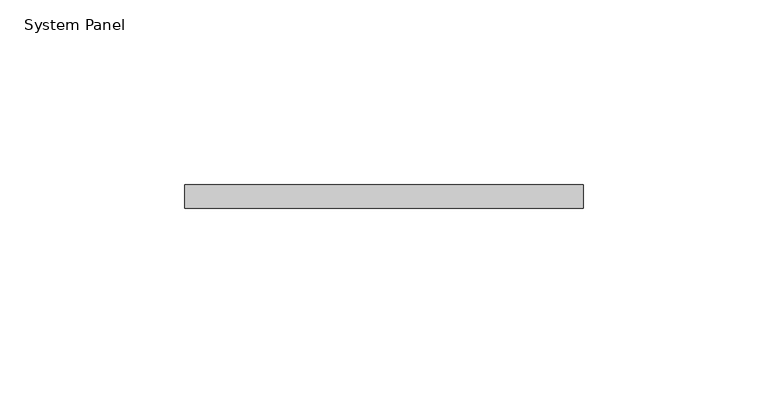
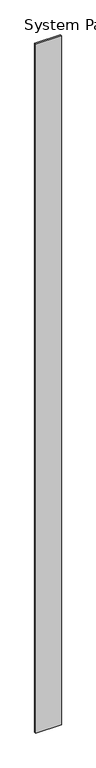
"""IFC4 building model written with IfcOpenShell, lengths in millimetres: plate geometry, System Panel."""

from ifc_helpers import new_model, si_unit, origin, origin_with_axes, place, context, project, spatial, polyline, outline, extrude, source, transform, mapped, element, save


def system_panel_39f150ee(model_context):
    return source(origin(), model_context, "Body", "SweptSolid", [
        extrude(outline(polyline([(53.975, -6.35), (-53.975, -6.35), (-53.975, 0.0), (53.975, 0.0), (53.975, -6.35)])), origin_with_axes(), (0.0, 0.0, 1.0), 3048.0),
    ])


if __name__ == "__main__":
    model = new_model("IFC4")
    model_context = context("Model", 3, world=origin())
    ifc_project = project(units=[si_unit("LENGTHUNIT", "METRE", prefix="MILLI")], contexts=[model_context])
    site = spatial("IfcSite", under=ifc_project)
    building = spatial("IfcBuilding", under=site)
    placement = place(None, origin())
    system_panel_shape = system_panel_39f150ee(model_context)
    element("IfcPlate", 1, ObjectType="System Panel", at=placement, inside=building, context=model_context, shape_type="MappedRepresentation", body=[
        mapped(system_panel_shape, transform((0.0, 0.0, 0.0), x_axis=(1.0, 0.0, 0.0), y_axis=(0.0, 1.0, 0.0), z_axis=(0.0, 0.0, 1.0))),
    ])
    save(model, "model.ifc")
